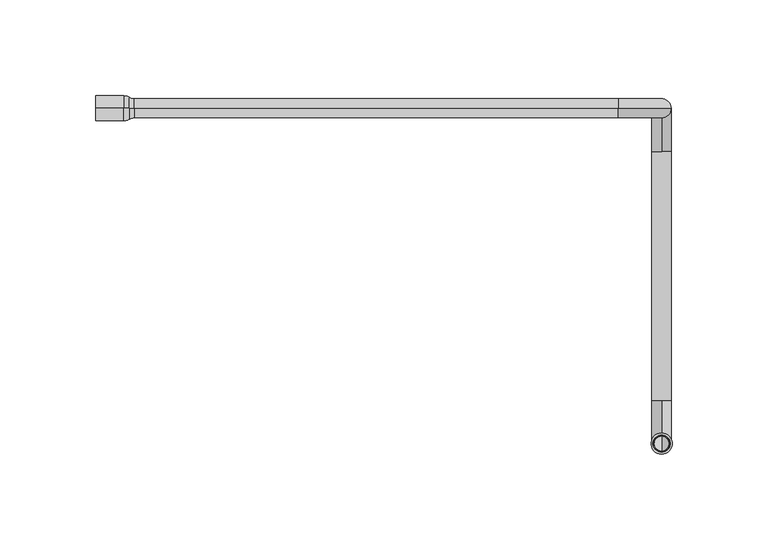
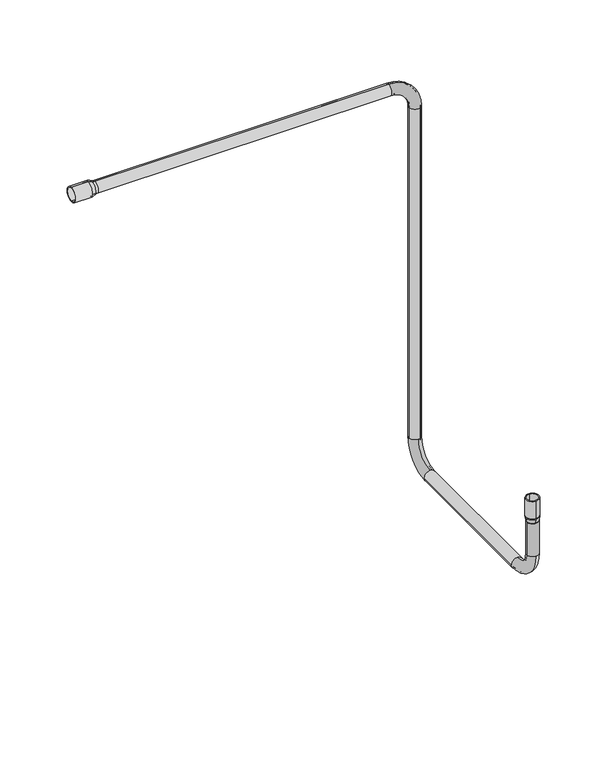
"""IFC4 building model written with IfcOpenShell, lengths in millimetres: proxy geometry."""

from ifc_helpers import new_model, si_unit, point, frame, origin, place, context, project, spatial, polyline, circle_curve, ellipse_curve, trimmed, source, transform, mapped, element, save
from ifc_brep_helpers import plane_surface, cylinder_surface, revolved_surface, advanced_brep


def generic_models_ea1cf998(model_context):
    return source(origin(), model_context, "Body", "AdvancedBrep", [
        advanced_brep(
        [(70.0, 0.0, 29.5), (322.5, 0.0, 29.5), (322.5, 0.0, 19.5), (70.0, 0.0, 19.5), (322.5, 0.0, 28.5), (70.0, 0.0, 28.5), (70.0, 0.0, 20.5), (322.5, 0.0, 20.5), (322.5, 4.0, 24.5), (350.0, 0.0, 2.0), (340.0, 0.0, 2.0), (349.0, 0.0, 2.0), (341.0, 0.0, 2.0), (345.0, 4.0, 2.0), (350.0, 0.0, -298.0), (345.0, 5.0, -298.0), (340.0, 0.0, -298.0), (349.0, 0.0, -298.0), (341.0, 0.0, -298.0), (345.0, 4.0, -298.0), (345.0, -22.5, -325.5), (340.0, -22.5, -320.5), (345.0, -22.5, -315.5), (345.0, -5.0, -298.0), (345.0, -22.5, -324.5), (345.0, -4.0, -298.0), (345.0, -22.5, -316.5), (341.0, -22.5, -320.5), (340.0, -152.5, -320.5), (345.0, -152.5, -315.5), (350.0, -152.5, -320.5), (350.0, -22.5, -320.5), (341.0, -152.5, -320.5), (349.0, -22.5, -320.5), (349.0, -152.5, -320.5), (345.0, -152.5, -316.5), (345.0, -152.5, -325.5), (345.0, -180.0, -298.0), (340.0, -175.0, -298.0), (345.0, -170.0, -298.0), (345.0, -179.0, -298.0), (345.0, -152.5, -324.5), (345.0, -171.0, -298.0), (341.0, -175.0, -298.0), (340.0, -175.0, -268.0), (350.0, -175.0, -268.0), (350.0, -175.0, -298.0), (341.0, -175.0, -268.0), (349.0, -175.0, -298.0), (349.0, -175.0, -268.0), (339.9680105, -175.0, -267.4951309), (345.0, -169.9680105, -267.4951309), (350.0319895, -175.0, -267.4951309), (345.0, -180.4600131, -264.1310864), (345.0, -180.0319895, -267.4951309), (345.0, -169.5399869, -264.1310864), (350.4600131, -175.0, -264.1310864), (339.5, -175.0, -263.5), (339.5399869, -175.0, -264.1310864), (350.5, -175.0, -263.5), (345.0, -180.5, -263.5), (345.0, -180.5, -247.5), (345.0, -169.5, -263.5), (345.0, -169.5, -247.5), (345.0, -179.5, -247.5), (345.0, -179.5, -263.5), (340.5, -175.0, -263.5), (345.0, -170.5, -263.5), (345.0, -170.5, -247.5), (340.5319895, -175.0, -264.0048691), (345.0, -170.5319895, -264.0048691), (349.4680105, -175.0, -264.0048691), (349.5, -175.0, -263.5), (345.0, -179.4680105, -264.0048691), (345.0, -179.0399869, -267.3689136), (340.9600131, -175.0, -267.3689136), (345.0, -170.9600131, -267.3689136), (349.0399869, -175.0, -267.3689136), (67.4794235, 0.0, 18.8181818), (67.4794235, 0.0, 30.1818182), (64.4547317, 0.0, 18.0), (64.4547317, 0.0, 31.0), (50.0, 0.0, 18.0), (50.0, 0.0, 31.0), (50.0, 0.0, 19.0), (64.4547317, 0.0, 19.0), (64.4547317, 0.0, 30.0), (50.0, 0.0, 30.0), (66.9753082, 0.0, 19.6818182), (66.9753082, 0.0, 29.3181818), (345.0, -5.0, 2.0), (322.5, -5.0, 24.5)],
        [
            (0, 1),
            (1, 2, circle_curve(frame((322.5, 0.0, 24.5), z_axis=(-1.0, 0.0, 0.0), x_axis=(0.0, 0.0, 1.0)), 5.0)),
            (2, 3),
            (3, 0, circle_curve(frame((70.0, 0.0, 24.5), z_axis=(1.0, 0.0, 0.0), x_axis=(0.0, 0.0, 1.0)), 5.0)),
            (4, 5),
            (5, 6, circle_curve(frame((70.0, 0.0, 24.5), z_axis=(-1.0, 0.0, 0.0), x_axis=(0.0, 0.0, 1.0)), 4.0)),
            (6, 7),
            (7, 8, circle_curve(frame((322.5, 0.0, 24.5), z_axis=(1.0, 0.0, 0.0), x_axis=(0.0, 0.0, 1.0)), 4.0)),
            (8, 4, circle_curve(frame((322.5, 0.0, 24.5), z_axis=(1.0, 0.0, 0.0), x_axis=(0.0, 0.0, 1.0)), 4.0)),
            (1, 9, circle_curve(frame((322.5, 0.0, 2.0), z_axis=(0.0, 1.0, 0.0), x_axis=(0.0, 0.0, 1.0)), 27.5)),
            (9, 10, circle_curve(frame((345.0, 0.0, 2.0), z_axis=(0.0, 0.0, 1.0), x_axis=(1.0, 0.0, 0.0)), 5.0)),
            (10, 2, circle_curve(frame((322.5, 0.0, 2.0), z_axis=(0.0, -1.0, 0.0), x_axis=(0.0, 0.0, 1.0)), 17.5)),
            (11, 4, circle_curve(frame((322.5, 0.0, 2.0), z_axis=(0.0, -1.0, 0.0), x_axis=(0.0, 0.0, 1.0)), 26.5)),
            (7, 12, circle_curve(frame((322.5, 0.0, 2.0), z_axis=(0.0, 1.0, 0.0), x_axis=(0.0, 0.0, 1.0)), 18.5)),
            (12, 13, circle_curve(frame((345.0, 0.0, 2.0), z_axis=(0.0, 0.0, -1.0), x_axis=(1.0, 0.0, 0.0)), 4.0)),
            (13, 11, circle_curve(frame((345.0, 0.0, 2.0), z_axis=(0.0, 0.0, -1.0), x_axis=(1.0, 0.0, 0.0)), 4.0)),
            (9, 14),
            (14, 15, circle_curve(frame((345.0, 0.0, -298.0), z_axis=(0.0, 0.0, 1.0), x_axis=(1.0, 0.0, 0.0)), 5.0)),
            (15, 16, circle_curve(frame((345.0, 0.0, -298.0), z_axis=(0.0, 0.0, 1.0), x_axis=(1.0, 0.0, 0.0)), 5.0)),
            (16, 10),
            (17, 11),
            (12, 18),
            (18, 19, circle_curve(frame((345.0, 0.0, -298.0), z_axis=(0.0, 0.0, -1.0), x_axis=(1.0, 0.0, 0.0)), 4.0)),
            (19, 17, circle_curve(frame((345.0, 0.0, -298.0), z_axis=(0.0, 0.0, -1.0), x_axis=(1.0, 0.0, 0.0)), 4.0)),
            (15, 20, circle_curve(frame((345.0, -22.5, -298.0), z_axis=(-1.0, 0.0, 0.0), x_axis=(0.0, 1.0, 0.0)), 27.5)),
            (20, 21, circle_curve(frame((345.0, -22.5, -320.5), z_axis=(0.0, 1.0, 0.0), x_axis=(0.0, 0.0, -1.0)), 5.0)),
            (21, 22, circle_curve(frame((345.0, -22.5, -320.5), z_axis=(0.0, 1.0, 0.0), x_axis=(0.0, 0.0, -1.0)), 5.0)),
            (22, 23, circle_curve(frame((345.0, -22.5, -298.0), z_axis=(1.0, 0.0, 0.0), x_axis=(0.0, 1.0, 0.0)), 17.5)),
            (23, 16, circle_curve(frame((345.0, 0.0, -298.0), z_axis=(0.0, 0.0, -1.0), x_axis=(0.0, 1.0, 0.0)), 5.0)),
            (24, 19, circle_curve(frame((345.0, -22.5, -298.0), z_axis=(1.0, 0.0, 0.0), x_axis=(0.0, 1.0, 0.0)), 26.5)),
            (18, 25, circle_curve(frame((345.0, 0.0, -298.0), z_axis=(0.0, 0.0, 1.0), x_axis=(0.0, 1.0, 0.0)), 4.0)),
            (25, 26, circle_curve(frame((345.0, -22.5, -298.0), z_axis=(-1.0, 0.0, 0.0), x_axis=(0.0, 1.0, 0.0)), 18.5)),
            (26, 27, circle_curve(frame((345.0, -22.5, -320.5), z_axis=(0.0, -1.0, 0.0), x_axis=(0.0, 0.0, -1.0)), 4.0)),
            (27, 24, circle_curve(frame((345.0, -22.5, -320.5), z_axis=(0.0, -1.0, 0.0), x_axis=(0.0, 0.0, -1.0)), 4.0)),
            (21, 28),
            (28, 29, circle_curve(frame((345.0, -152.5, -320.5), z_axis=(0.0, 1.0, 0.0), x_axis=(-1.0, 0.0, 0.0)), 5.0)),
            (29, 30, circle_curve(frame((345.0, -152.5, -320.5), z_axis=(0.0, 1.0, 0.0), x_axis=(-1.0, 0.0, 0.0)), 5.0)),
            (30, 31),
            (31, 22, circle_curve(frame((345.0, -22.5, -320.5), z_axis=(0.0, -1.0, 0.0), x_axis=(-1.0, 0.0, 0.0)), 5.0)),
            (32, 27),
            (26, 33, circle_curve(frame((345.0, -22.5, -320.5), z_axis=(0.0, 1.0, 0.0), x_axis=(-1.0, 0.0, 0.0)), 4.0)),
            (33, 34),
            (34, 35, circle_curve(frame((345.0, -152.5, -320.5), z_axis=(0.0, -1.0, 0.0), x_axis=(-1.0, 0.0, 0.0)), 4.0)),
            (35, 32, circle_curve(frame((345.0, -152.5, -320.5), z_axis=(0.0, -1.0, 0.0), x_axis=(-1.0, 0.0, 0.0)), 4.0)),
            (36, 37, circle_curve(frame((345.0, -152.5, -298.0), z_axis=(-1.0, 0.0, 0.0), x_axis=(0.0, 0.0, -1.0)), 27.5)),
            (37, 38, circle_curve(frame((345.0, -175.0, -298.0), z_axis=(0.0, 0.0, -1.0), x_axis=(0.0, -1.0, 0.0)), 5.0)),
            (38, 39, circle_curve(frame((345.0, -175.0, -298.0), z_axis=(0.0, 0.0, -1.0), x_axis=(0.0, -1.0, 0.0)), 5.0)),
            (39, 29, circle_curve(frame((345.0, -152.5, -298.0), z_axis=(1.0, 0.0, 0.0), x_axis=(0.0, 0.0, -1.0)), 17.5)),
            (28, 36, circle_curve(frame((345.0, -152.5, -320.5), z_axis=(0.0, -1.0, 0.0), x_axis=(0.0, 0.0, -1.0)), 5.0)),
            (40, 41, circle_curve(frame((345.0, -152.5, -298.0), z_axis=(1.0, 0.0, 0.0), x_axis=(0.0, 0.0, -1.0)), 26.5)),
            (41, 32, circle_curve(frame((345.0, -152.5, -320.5), z_axis=(0.0, 1.0, 0.0), x_axis=(0.0, 0.0, -1.0)), 4.0)),
            (35, 42, circle_curve(frame((345.0, -152.5, -298.0), z_axis=(-1.0, 0.0, 0.0), x_axis=(0.0, 0.0, -1.0)), 18.5)),
            (42, 43, circle_curve(frame((345.0, -175.0, -298.0), z_axis=(0.0, 0.0, 1.0), x_axis=(0.0, -1.0, 0.0)), 4.0)),
            (43, 40, circle_curve(frame((345.0, -175.0, -298.0), z_axis=(0.0, 0.0, 1.0), x_axis=(0.0, -1.0, 0.0)), 4.0)),
            (38, 44),
            (44, 45, circle_curve(frame((345.0, -175.0, -268.0), z_axis=(0.0, 0.0, -1.0), x_axis=(-1.0, 0.0, 0.0)), 5.0)),
            (45, 46),
            (46, 39, circle_curve(frame((345.0, -175.0, -298.0), z_axis=(0.0, 0.0, 1.0), x_axis=(-1.0, 0.0, 0.0)), 5.0)),
            (47, 43),
            (42, 48, circle_curve(frame((345.0, -175.0, -298.0), z_axis=(0.0, 0.0, -1.0), x_axis=(-1.0, 0.0, 0.0)), 4.0)),
            (48, 49),
            (49, 47, circle_curve(frame((345.0, -175.0, -268.0), z_axis=(0.0, 0.0, 1.0), x_axis=(-1.0, 0.0, 0.0)), 4.0)),
            (44, 50, circle_curve(frame((336.0, -175.0, -268.0), z_axis=(0.0, -1.0, 0.0), x_axis=(-1.0, 0.0, 0.0)), 4.0)),
            (50, 51, circle_curve(frame((345.0, -175.0, -267.4951309), z_axis=(0.0, 0.0, -1.0), x_axis=(-1.0, 0.0, 0.0)), 5.0319895)),
            (51, 52, circle_curve(frame((345.0, -175.0, -267.4951309), z_axis=(0.0, 0.0, -1.0), x_axis=(-1.0, 0.0, 0.0)), 5.0319895)),
            (52, 45, circle_curve(frame((354.0, -175.0, -268.0), z_axis=(0.0, -1.0, 0.0), x_axis=(1.0, 0.0, 0.0)), 4.0)),
            (53, 54),
            (54, 52, circle_curve(frame((345.0, -175.0, -267.4951309), z_axis=(0.0, 0.0, 1.0), x_axis=(0.0, 1.0, 0.0)), 5.0319895)),
            (51, 55),
            (55, 56, circle_curve(frame((345.0, -175.0, -264.1310864), z_axis=(0.0, 0.0, -1.0), x_axis=(0.0, 1.0, 0.0)), 5.4600131)),
            (56, 53, circle_curve(frame((345.0, -175.0, -264.1310864), z_axis=(0.0, 0.0, -1.0), x_axis=(0.0, 1.0, 0.0)), 5.4600131)),
            (57, 58, circle_curve(frame((344.5, -175.0, -263.5), z_axis=(0.0, -1.0, 0.0), x_axis=(-1.0, 0.0, 0.0)), 5.0)),
            (58, 53, circle_curve(frame((345.0, -175.0, -264.1310864), z_axis=(0.0, 0.0, 1.0), x_axis=(1.0, 0.0, 0.0)), 5.4600131)),
            (56, 59, circle_curve(frame((345.5, -175.0, -263.5), z_axis=(0.0, -1.0, 0.0), x_axis=(1.0, 0.0, 0.0)), 5.0)),
            (59, 60, circle_curve(frame((345.0, -175.0, -263.5), z_axis=(0.0, 0.0, -1.0), x_axis=(1.0, 0.0, 0.0)), 5.5)),
            (60, 57, circle_curve(frame((345.0, -175.0, -263.5), z_axis=(0.0, 0.0, -1.0), x_axis=(1.0, 0.0, 0.0)), 5.5)),
            (61, 60),
            (59, 62, circle_curve(frame((345.0, -175.0, -263.5), z_axis=(0.0, 0.0, 1.0), x_axis=(0.0, -1.0, 0.0)), 5.5)),
            (62, 63),
            (63, 61, circle_curve(frame((345.0, -175.0, -247.5), z_axis=(0.0, 0.0, -1.0), x_axis=(0.0, -1.0, 0.0)), 5.5)),
            (64, 65),
            (65, 66, circle_curve(frame((345.0, -175.0, -263.5), z_axis=(0.0, 0.0, -1.0), x_axis=(0.0, -1.0, 0.0)), 4.5)),
            (66, 67, circle_curve(frame((345.0, -175.0, -263.5), z_axis=(0.0, 0.0, -1.0), x_axis=(0.0, -1.0, 0.0)), 4.5)),
            (67, 68),
            (68, 64, circle_curve(frame((345.0, -175.0, -247.5), z_axis=(0.0, 0.0, 1.0), x_axis=(0.0, -1.0, 0.0)), 4.5)),
            (66, 69, circle_curve(frame((344.5, -175.0, -263.5), z_axis=(0.0, -1.0, 0.0), x_axis=(-1.0, 0.0, 0.0)), 4.0)),
            (69, 70, circle_curve(frame((345.0, -175.0, -264.0048691), z_axis=(0.0, 0.0, -1.0), x_axis=(-1.0, 0.0, 0.0)), 4.4680105)),
            (70, 71, circle_curve(frame((345.0, -175.0, -264.0048691), z_axis=(0.0, 0.0, -1.0), x_axis=(-1.0, 0.0, 0.0)), 4.4680105)),
            (71, 72, circle_curve(frame((345.5, -175.0, -263.5), z_axis=(0.0, -1.0, 0.0), x_axis=(1.0, 0.0, 0.0)), 4.0)),
            (72, 67, circle_curve(frame((345.0, -175.0, -263.5), z_axis=(0.0, 0.0, 1.0), x_axis=(-1.0, 0.0, 0.0)), 4.5)),
            (73, 74),
            (74, 75, circle_curve(frame((345.0, -175.0, -267.3689136), z_axis=(0.0, 0.0, -1.0), x_axis=(0.0, -1.0, 0.0)), 4.0399869)),
            (75, 76, circle_curve(frame((345.0, -175.0, -267.3689136), z_axis=(0.0, 0.0, -1.0), x_axis=(0.0, -1.0, 0.0)), 4.0399869)),
            (76, 70),
            (69, 73, circle_curve(frame((345.0, -175.0, -264.0048691), z_axis=(0.0, 0.0, 1.0), x_axis=(0.0, -1.0, 0.0)), 4.4680105)),
            (47, 75, circle_curve(frame((336.0, -175.0, -268.0), z_axis=(0.0, -1.0, 0.0), x_axis=(-1.0, 0.0, 0.0)), 5.0)),
            (74, 77, circle_curve(frame((345.0, -175.0, -267.3689136), z_axis=(0.0, 0.0, 1.0), x_axis=(1.0, 0.0, 0.0)), 4.0399869)),
            (77, 49, circle_curve(frame((354.0, -175.0, -268.0), z_axis=(0.0, -1.0, 0.0), x_axis=(1.0, 0.0, 0.0)), 5.0)),
            (49, 47, circle_curve(frame((345.0, -175.0, -268.0), z_axis=(0.0, 0.0, -1.0), x_axis=(1.0, 0.0, 0.0)), 4.0)),
            (3, 78, circle_curve(frame((70.0, 0.0, 14.5), z_axis=(0.0, -1.0, 0.0), x_axis=(0.0, 0.0, -1.0)), 5.0)),
            (78, 79, circle_curve(frame((67.4794235, 0.0, 24.5), z_axis=(1.0, 0.0, 0.0), x_axis=(0.0, 0.0, -1.0)), 5.6818182)),
            (79, 0, circle_curve(frame((70.0, 0.0, 34.5), z_axis=(0.0, -1.0, 0.0), x_axis=(0.0, 0.0, 1.0)), 5.0)),
            (80, 78, circle_curve(frame((64.4547317, 0.0, 24.0), z_axis=(0.0, -1.0, 0.0), x_axis=(0.0, 0.0, -1.0)), 6.0)),
            (78, 79, circle_curve(frame((67.4794235, 0.0, 24.5), z_axis=(-1.0, 0.0, 0.0), x_axis=(0.0, 0.0, 1.0)), 5.6818182)),
            (79, 81, circle_curve(frame((64.4547317, 0.0, 25.0), z_axis=(0.0, -1.0, 0.0), x_axis=(0.0, 0.0, 1.0)), 6.0)),
            (81, 80, circle_curve(frame((64.4547317, 0.0, 24.5), z_axis=(1.0, 0.0, 0.0), x_axis=(0.0, 0.0, 1.0)), 6.5)),
            (82, 80),
            (81, 83),
            (83, 82, circle_curve(frame((50.0, 0.0, 24.5), z_axis=(1.0, 0.0, 0.0), x_axis=(0.0, 0.0, -1.0)), 6.5)),
            (84, 85),
            (85, 86, circle_curve(frame((64.4547317, 0.0, 24.5), z_axis=(1.0, 0.0, 0.0), x_axis=(0.0, 0.0, -1.0)), 5.5)),
            (86, 87),
            (87, 84, circle_curve(frame((50.0, 0.0, 24.5), z_axis=(-1.0, 0.0, 0.0), x_axis=(0.0, 0.0, -1.0)), 5.5)),
            (85, 88, circle_curve(frame((64.4547317, 0.0, 24.0), z_axis=(0.0, -1.0, 0.0), x_axis=(0.0, 0.0, -1.0)), 5.0)),
            (88, 89, circle_curve(frame((66.9753082, 0.0, 24.5), z_axis=(1.0, 0.0, 0.0), x_axis=(0.0, 0.0, -1.0)), 4.8181818)),
            (89, 86, circle_curve(frame((64.4547317, 0.0, 25.0), z_axis=(0.0, -1.0, 0.0), x_axis=(0.0, 0.0, 1.0)), 5.0)),
            (6, 88, circle_curve(frame((70.0, 0.0, 14.5), z_axis=(0.0, -1.0, 0.0), x_axis=(0.0, 0.0, -1.0)), 6.0)),
            (88, 89, circle_curve(frame((66.9753082, 0.0, 24.5), z_axis=(-1.0, 0.0, 0.0), x_axis=(0.0, 0.0, 1.0)), 4.8181818)),
            (89, 5, circle_curve(frame((70.0, 0.0, 34.5), z_axis=(0.0, -1.0, 0.0), x_axis=(0.0, 0.0, 1.0)), 6.0)),
            (5, 6, circle_curve(frame((70.0, 0.0, 24.5), z_axis=(1.0, 0.0, 0.0), x_axis=(0.0, 0.0, 1.0)), 4.0)),
            (85, 86, circle_curve(frame((64.4547317, 0.0, 24.5), z_axis=(-1.0, 0.0, 0.0), x_axis=(0.0, 0.0, 1.0)), 5.5)),
            (84, 87, circle_curve(frame((50.0, 0.0, 24.5), z_axis=(-1.0, 0.0, 0.0), x_axis=(0.0, 0.0, -1.0)), 5.5)),
            (83, 82, circle_curve(frame((50.0, 0.0, 24.5), z_axis=(-1.0, 0.0, 0.0), x_axis=(0.0, 0.0, -1.0)), 6.5)),
            (81, 80, circle_curve(frame((64.4547317, 0.0, 24.5), z_axis=(-1.0, 0.0, 0.0), x_axis=(0.0, 0.0, -1.0)), 6.5)),
            (3, 0, circle_curve(frame((70.0, 0.0, 24.5), z_axis=(-1.0, 0.0, 0.0), x_axis=(0.0, 0.0, 1.0)), 5.0)),
            (77, 76, circle_curve(frame((345.0, -175.0, -267.3689136), z_axis=(0.0, 0.0, 1.0), x_axis=(-1.0, 0.0, 0.0)), 4.0399869)),
            (73, 71, circle_curve(frame((345.0, -175.0, -264.0048691), z_axis=(0.0, 0.0, 1.0), x_axis=(0.0, 1.0, 0.0)), 4.4680105)),
            (65, 72, circle_curve(frame((345.0, -175.0, -263.5), z_axis=(0.0, 0.0, 1.0), x_axis=(1.0, 0.0, 0.0)), 4.5)),
            (64, 68, circle_curve(frame((345.0, -175.0, -247.5), z_axis=(0.0, 0.0, 1.0), x_axis=(0.0, -1.0, 0.0)), 4.5)),
            (63, 61, circle_curve(frame((345.0, -175.0, -247.5), z_axis=(0.0, 0.0, 1.0), x_axis=(0.0, -1.0, 0.0)), 5.5)),
            (62, 57, circle_curve(frame((345.0, -175.0, -263.5), z_axis=(0.0, 0.0, 1.0), x_axis=(0.0, -1.0, 0.0)), 5.5)),
            (55, 58, circle_curve(frame((345.0, -175.0, -264.1310864), z_axis=(0.0, 0.0, 1.0), x_axis=(-1.0, 0.0, 0.0)), 5.4600131)),
            (50, 54, circle_curve(frame((345.0, -175.0, -267.4951309), z_axis=(0.0, 0.0, 1.0), x_axis=(0.0, -1.0, 0.0)), 5.0319895)),
            (44, 45, circle_curve(frame((345.0, -175.0, -268.0), z_axis=(0.0, 0.0, 1.0), x_axis=(1.0, 0.0, 0.0)), 5.0)),
            (48, 40, circle_curve(frame((345.0, -175.0, -298.0), z_axis=(0.0, 0.0, -1.0), x_axis=(-1.0, 0.0, 0.0)), 4.0)),
            (37, 46, circle_curve(frame((345.0, -175.0, -298.0), z_axis=(0.0, 0.0, 1.0), x_axis=(-1.0, 0.0, 0.0)), 5.0)),
            (34, 41, circle_curve(frame((345.0, -152.5, -320.5), z_axis=(0.0, 1.0, 0.0), x_axis=(0.0, 0.0, -1.0)), 4.0)),
            (36, 30, circle_curve(frame((345.0, -152.5, -320.5), z_axis=(0.0, -1.0, 0.0), x_axis=(0.0, 0.0, -1.0)), 5.0)),
            (33, 24, circle_curve(frame((345.0, -22.5, -320.5), z_axis=(0.0, 1.0, 0.0), x_axis=(-1.0, 0.0, 0.0)), 4.0)),
            (20, 31, circle_curve(frame((345.0, -22.5, -320.5), z_axis=(0.0, -1.0, 0.0), x_axis=(-1.0, 0.0, 0.0)), 5.0)),
            (25, 17, circle_curve(frame((345.0, 0.0, -298.0), z_axis=(0.0, 0.0, 1.0), x_axis=(0.0, 1.0, 0.0)), 4.0)),
            (14, 23, circle_curve(frame((345.0, 0.0, -298.0), z_axis=(0.0, 0.0, -1.0), x_axis=(0.0, 1.0, 0.0)), 5.0)),
            (12, 11, circle_curve(frame((345.0, 0.0, 2.0), z_axis=(0.0, 0.0, 1.0), x_axis=(1.0, 0.0, 0.0)), 4.0)),
            (9, 90, circle_curve(frame((345.0, 0.0, 2.0), z_axis=(0.0, 0.0, -1.0), x_axis=(1.0, 0.0, 0.0)), 5.0)),
            (90, 10, circle_curve(frame((345.0, 0.0, 2.0), z_axis=(0.0, 0.0, -1.0), x_axis=(1.0, 0.0, 0.0)), 5.0)),
            (7, 4, circle_curve(frame((322.5, 0.0, 24.5), z_axis=(-1.0, 0.0, 0.0), x_axis=(0.0, 0.0, 1.0)), 4.0)),
            (1, 91, circle_curve(frame((322.5, 0.0, 24.5), z_axis=(1.0, 0.0, 0.0), x_axis=(0.0, 0.0, 1.0)), 5.0)),
            (91, 2, circle_curve(frame((322.5, 0.0, 24.5), z_axis=(1.0, 0.0, 0.0), x_axis=(0.0, 0.0, 1.0)), 5.0)),
        ],
        [
            cylinder_surface(frame((22.5, 0.0, 24.5), z_axis=(1.0, 0.0, 0.0), x_axis=(0.0, 0.0, 1.0)), 5.0),
            revolved_surface(polyline([(322.5, 0.0, 28.5), (70.0, 0.0, 28.5)]), (22.5, 0.0, 24.5), (1.0, 0.0, 0.0)),
            revolved_surface(trimmed(ellipse_curve(frame((322.5, 0.0, 24.5), z_axis=(-1.0, 0.0, 0.0), x_axis=(0.0, 0.0, 1.0)), 5.0, 5.0), [point((322.5, 0.0, 29.5))], [point((322.5, 0.0, 19.5))], True, "CARTESIAN"), (322.5, 0.0, 2.0), (0.0, 1.0, 0.0)),
            revolved_surface(trimmed(ellipse_curve(frame((322.5, 0.0, 24.5), z_axis=(1.0, 0.0, 0.0), x_axis=(0.0, 0.0, 1.0)), 4.0, 4.0), [point((322.5, 0.0, 20.5))], [point((322.5, 0.0, 28.5))], True, "CARTESIAN"), (322.5, 0.0, 2.0), (0.0, 1.0, 0.0)),
            cylinder_surface(frame((345.0, 0.0, 2.0), z_axis=(0.0, 0.0, -1.0), x_axis=(1.0, 0.0, 0.0)), 5.0),
            revolved_surface(polyline([(349.0, 0.0, -298.0), (349.0, 0.0, 2.0)]), (345.0, 0.0, 2.0), (0.0, 0.0, -1.0)),
            revolved_surface(trimmed(ellipse_curve(frame((345.0, 0.0, -298.0), z_axis=(0.0, 0.0, 1.0), x_axis=(0.0, 1.0, 0.0)), 5.0, 5.0), [point((345.0, 5.0, -298.0))], [point((345.0, -5.0, -298.0))], True, "CARTESIAN"), (345.0, -22.5, -298.0), (-1.0, 0.0, 0.0)),
            revolved_surface(trimmed(ellipse_curve(frame((345.0, 0.0, -298.0), z_axis=(0.0, 0.0, -1.0), x_axis=(0.0, 1.0, 0.0)), 4.0, 4.0), [point((345.0, -4.0, -298.0))], [point((345.0, 4.0, -298.0))], True, "CARTESIAN"), (345.0, -22.5, -298.0), (-1.0, 0.0, 0.0)),
            cylinder_surface(frame((345.0, -22.5, -320.5), z_axis=(0.0, -1.0, 0.0), x_axis=(-1.0, 0.0, 0.0)), 5.0),
            revolved_surface(polyline([(341.0, -152.5, -320.5), (341.0, -22.5, -320.5)]), (345.0, -22.5, -320.5), (0.0, -1.0, 0.0)),
            revolved_surface(trimmed(ellipse_curve(frame((345.0, -152.5, -320.5), z_axis=(0.0, 1.0, 0.0), x_axis=(0.0, 0.0, -1.0)), 5.0, 5.0), [point((345.0, -152.5, -325.5))], [point((345.0, -152.5, -315.5))], True, "CARTESIAN"), (345.0, -152.5, -298.0), (-1.0, 0.0, 0.0)),
            revolved_surface(trimmed(ellipse_curve(frame((345.0, -152.5, -320.5), z_axis=(0.0, -1.0, 0.0), x_axis=(0.0, 0.0, -1.0)), 4.0, 4.0), [point((345.0, -152.5, -316.5))], [point((345.0, -152.5, -324.5))], True, "CARTESIAN"), (345.0, -152.5, -298.0), (-1.0, 0.0, 0.0)),
            cylinder_surface(frame((345.0, -175.0, -298.0), z_axis=(0.0, 0.0, 1.0), x_axis=(-1.0, 0.0, 0.0)), 5.0),
            revolved_surface(polyline([(341.0, -175.0, -268.0), (341.0, -175.0, -298.0)]), (345.0, -175.0, -298.0), (0.0, 0.0, 1.0)),
            revolved_surface(trimmed(ellipse_curve(frame((336.0, -175.0, -268.0), z_axis=(0.0, 1.0, 0.0), x_axis=(-1.0, 0.0, 0.0)), 4.0, 4.0), [point((339.9680105, -175.0, -267.4951309))], [point((340.0, -175.0, -268.0))], True, "CARTESIAN"), (345.0, -175.0, -268.0), (0.0, 0.0, -1.0)),
            revolved_surface(polyline([(345.0, -180.0319895172889, -267.4951309), (345.0, -180.4600131, -264.1310864)]), (345.0, -175.0, -307.043972), (0.0, 0.0, 1.0)),
            revolved_surface(trimmed(ellipse_curve(frame((345.5, -175.0, -263.5), z_axis=(0.0, 1.0, 0.0), x_axis=(1.0, 0.0, 0.0)), 5.0, 5.0), [point((350.5, -175.0, -263.5))], [point((350.4600131, -175.0, -264.1310864))], True, "CARTESIAN"), (345.0, -175.0, -263.5), (0.0, 0.0, -1.0)),
            cylinder_surface(frame((345.0, -175.0, -255.5), z_axis=(0.0, 0.0, -1.0), x_axis=(0.0, -1.0, 0.0)), 5.5),
            revolved_surface(polyline([(345.0, -179.5, -263.5), (345.0, -179.5, -247.5)]), (345.0, -175.0, -255.5), (0.0, 0.0, -1.0)),
            revolved_surface(trimmed(ellipse_curve(frame((344.5, -175.0, -263.5), z_axis=(0.0, 1.0, 0.0), x_axis=(-1.0, 0.0, 0.0)), 4.0, 4.0), [point((340.5319895, -175.0, -264.0048691))], [point((340.5, -175.0, -263.5))], True, "CARTESIAN"), (345.0, -175.0, -263.5), (0.0, 0.0, -1.0)),
            revolved_surface(polyline([(345.0, -179.4680105, -264.0048691), (345.0, -179.03998691561657, -267.3689136)]), (345.0, -175.0, -299.121126), (0.0, 0.0, 1.0)),
            revolved_surface(trimmed(ellipse_curve(frame((354.0, -175.0, -268.0), z_axis=(0.0, 1.0, 0.0), x_axis=(1.0, 0.0, 0.0)), 5.0, 5.0), [point((349.0, -175.0, -268.0))], [point((349.0399869, -175.0, -267.3689136))], True, "CARTESIAN"), (345.0, -175.0, -268.0), (0.0, 0.0, -1.0)),
            revolved_surface(trimmed(ellipse_curve(frame((70.0, 0.0, 14.5), z_axis=(0.0, 1.0, 0.0), x_axis=(0.0, 0.0, -1.0)), 5.0, 5.0), [point((67.4794235, 0.0, 18.8181818))], [point((70.0, 0.0, 19.5))], True, "CARTESIAN"), (70.0, 0.0, 24.5), (1.0, 0.0, 0.0)),
            revolved_surface(trimmed(ellipse_curve(frame((64.4547317, 0.0, 25.0), z_axis=(0.0, 1.0, 0.0), x_axis=(0.0, 0.0, 1.0)), 6.0, 6.0), [point((64.4547317, 0.0, 31.0))], [point((67.4794235, 0.0, 30.1818182))], True, "CARTESIAN"), (64.4547317, 0.0, 24.5), (1.0, 0.0, 0.0)),
            cylinder_surface(frame((57.2273659, 0.0, 24.5), z_axis=(1.0, 0.0, 0.0), x_axis=(0.0, 0.0, -1.0)), 6.5),
            revolved_surface(polyline([(64.4547317, 0.0, 19.0), (50.0, 0.0, 19.0)]), (57.2273659, 0.0, 24.5), (1.0, 0.0, 0.0)),
            revolved_surface(trimmed(ellipse_curve(frame((64.4547317, 0.0, 24.0), z_axis=(0.0, 1.0, 0.0), x_axis=(0.0, 0.0, -1.0)), 5.0, 5.0), [point((66.9753082, 0.0, 19.6818182))], [point((64.4547317, 0.0, 19.0))], True, "CARTESIAN"), (64.4547317, 0.0, 24.5), (1.0, 0.0, 0.0)),
            revolved_surface(trimmed(ellipse_curve(frame((70.0, 0.0, 34.5), z_axis=(0.0, 1.0, 0.0), x_axis=(0.0, 0.0, 1.0)), 6.0, 6.0), [point((70.0, 0.0, 28.5))], [point((66.9753082, 0.0, 29.3181818))], True, "CARTESIAN"), (70.0, 0.0, 24.5), (1.0, 0.0, 0.0)),
            revolved_surface(trimmed(ellipse_curve(frame((70.0, 0.0, 14.5), z_axis=(0.0, -1.0, 0.0), x_axis=(0.0, 0.0, -1.0)), 6.0, 6.0), [point((70.0, 0.0, 20.5))], [point((66.9753082, 0.0, 19.6818182))], True, "CARTESIAN"), (70.0, 0.0, 24.5), (1.0, 0.0, 0.0)),
            revolved_surface(trimmed(ellipse_curve(frame((64.4547317, 0.0, 25.0), z_axis=(0.0, -1.0, 0.0), x_axis=(0.0, 0.0, 1.0)), 5.0, 5.0), [point((66.9753082, 0.0, 29.3181818))], [point((64.4547317, 0.0, 30.0))], True, "CARTESIAN"), (64.4547317, 0.0, 24.5), (1.0, 0.0, 0.0)),
            plane_surface(frame((50.0, 0.0, 18.0), z_axis=(-1.0, 0.0, 0.0), x_axis=(0.0, 0.0, 1.0))),
            revolved_surface(trimmed(ellipse_curve(frame((64.4547317, 0.0, 24.0), z_axis=(0.0, -1.0, 0.0), x_axis=(0.0, 0.0, -1.0)), 6.0, 6.0), [point((64.4547317, 0.0, 18.0))], [point((67.4794235, 0.0, 18.8181818))], True, "CARTESIAN"), (64.4547317, 0.0, 24.5), (1.0, 0.0, 0.0)),
            revolved_surface(trimmed(ellipse_curve(frame((70.0, 0.0, 34.5), z_axis=(0.0, -1.0, 0.0), x_axis=(0.0, 0.0, 1.0)), 5.0, 5.0), [point((67.4794235, 0.0, 30.1818182))], [point((70.0, 0.0, 29.5))], True, "CARTESIAN"), (70.0, 0.0, 24.5), (1.0, 0.0, 0.0)),
            revolved_surface(trimmed(ellipse_curve(frame((336.0, -175.0, -268.0), z_axis=(0.0, -1.0, 0.0), x_axis=(-1.0, 0.0, 0.0)), 5.0, 5.0), [point((341.0, -175.0, -268.0))], [point((340.9600131, -175.0, -267.3689136))], True, "CARTESIAN"), (345.0, -175.0, -268.0), (0.0, 0.0, -1.0)),
            revolved_surface(trimmed(ellipse_curve(frame((345.5, -175.0, -263.5), z_axis=(0.0, -1.0, 0.0), x_axis=(1.0, 0.0, 0.0)), 4.0, 4.0), [point((349.4680105, -175.0, -264.0048691))], [point((349.5, -175.0, -263.5))], True, "CARTESIAN"), (345.0, -175.0, -263.5), (0.0, 0.0, -1.0)),
            plane_surface(frame((345.0, -180.0, -247.5), z_axis=(0.0, 0.0, 1.0), x_axis=(1.0, 0.0, 0.0))),
            revolved_surface(trimmed(ellipse_curve(frame((344.5, -175.0, -263.5), z_axis=(0.0, -1.0, 0.0), x_axis=(-1.0, 0.0, 0.0)), 5.0, 5.0), [point((339.5, -175.0, -263.5))], [point((339.5399869, -175.0, -264.1310864))], True, "CARTESIAN"), (345.0, -175.0, -263.5), (0.0, 0.0, -1.0)),
            revolved_surface(trimmed(ellipse_curve(frame((354.0, -175.0, -268.0), z_axis=(0.0, -1.0, 0.0), x_axis=(1.0, 0.0, 0.0)), 4.0, 4.0), [point((350.0319895, -175.0, -267.4951309))], [point((350.0, -175.0, -268.0))], True, "CARTESIAN"), (345.0, -175.0, -268.0), (0.0, 0.0, -1.0)),
            revolved_surface(trimmed(ellipse_curve(frame((345.0, -152.5, -320.5), z_axis=(0.0, -1.0, 0.0), x_axis=(0.0, 0.0, -1.0)), 4.0, 4.0), [point((345.0, -152.5, -324.5))], [point((345.0, -152.5, -316.5))], True, "CARTESIAN"), (345.0, -152.5, -298.0), (-1.0, 0.0, 0.0)),
            revolved_surface(trimmed(ellipse_curve(frame((345.0, -152.5, -320.5), z_axis=(0.0, 1.0, 0.0), x_axis=(0.0, 0.0, -1.0)), 5.0, 5.0), [point((345.0, -152.5, -315.5))], [point((345.0, -152.5, -325.5))], True, "CARTESIAN"), (345.0, -152.5, -298.0), (-1.0, 0.0, 0.0)),
            revolved_surface(trimmed(ellipse_curve(frame((345.0, 0.0, -298.0), z_axis=(0.0, 0.0, -1.0), x_axis=(0.0, 1.0, 0.0)), 4.0, 4.0), [point((345.0, 4.0, -298.0))], [point((345.0, -4.0, -298.0))], True, "CARTESIAN"), (345.0, -22.5, -298.0), (-1.0, 0.0, 0.0)),
            revolved_surface(trimmed(ellipse_curve(frame((345.0, 0.0, -298.0), z_axis=(0.0, 0.0, 1.0), x_axis=(0.0, 1.0, 0.0)), 5.0, 5.0), [point((345.0, -5.0, -298.0))], [point((345.0, 5.0, -298.0))], True, "CARTESIAN"), (345.0, -22.5, -298.0), (-1.0, 0.0, 0.0)),
            revolved_surface(trimmed(ellipse_curve(frame((322.5, 0.0, 24.5), z_axis=(1.0, 0.0, 0.0), x_axis=(0.0, 0.0, 1.0)), 4.0, 4.0), [point((322.5, 0.0, 28.5))], [point((322.5, 0.0, 20.5))], True, "CARTESIAN"), (322.5, 0.0, 2.0), (0.0, 1.0, 0.0)),
            revolved_surface(trimmed(ellipse_curve(frame((322.5, 0.0, 24.5), z_axis=(-1.0, 0.0, 0.0), x_axis=(0.0, 0.0, 1.0)), 5.0, 5.0), [point((322.5, 0.0, 19.5))], [point((322.5, 0.0, 29.5))], True, "CARTESIAN"), (322.5, 0.0, 2.0), (0.0, 1.0, 0.0)),
        ],
        [
            (0, [[1, 2, 3, 4]]),
            (1, [[5, 6, 7, 8, 9]]),
            (2, [[10, 11, 12, -2]]),
            (3, [[13, -9, -8, 14, 15, 16]]),
            (4, [[17, 18, 19, 20, -11]]),
            (5, [[21, -16, -15, 22, 23, 24]]),
            (6, [[25, 26, 27, 28, 29, -19]]),
            (7, [[30, -23, 31, 32, 33, 34]]),
            (8, [[35, 36, 37, 38, 39, -27]]),
            (9, [[40, -33, 41, 42, 43, 44]]),
            (10, [[45, 46, 47, 48, -36, 49]]),
            (11, [[50, 51, -44, 52, 53, 54]]),
            (12, [[55, 56, 57, 58, -47]]),
            (13, [[59, -53, 60, 61, 62]]),
            (14, [[63, 64, 65, 66, -56]]),
            (15, [[67, 68, -65, 69, 70, 71]]),
            (16, [[72, 73, -71, 74, 75, 76]]),
            (17, [[77, -75, 78, 79, 80]]),
            (18, [[81, 82, 83, 84, 85]]),
            (19, [[86, 87, 88, 89, 90, -83]]),
            (20, [[91, 92, 93, 94, -87, 95]]),
            (21, [[96, -92, 97, 98, 99]]),
            (22, [[100, 101, 102, -4]]),
            (23, [[103, 104, 105, 106]]),
            (24, [[107, -106, 108, 109]]),
            (25, [[110, 111, 112, 113]]),
            (26, [[114, 115, 116, -111]]),
            (27, [[117, 118, 119, 120]]),
            (28, [[-117, -6, -119, -115]]),
            (29, [[-114, 121, -116, -118]]),
            (25, [[-110, 122, -112, -121]]),
            (30, [[123, -109], [-113, -122]]),
            (24, [[-107, -123, -108, 124]]),
            (31, [[-103, -124, -105, -101]]),
            (32, [[-100, 125, -102, -104]]),
            (33, [[-96, -62, -98, 126, -93]]),
            (20, [[-91, 127, -88, -94, -126, -97]]),
            (34, [[-86, -82, 128, -89, -127, -95]]),
            (18, [[-81, 129, -84, -90, -128]]),
            (35, [[130, -80], [-85, -129]]),
            (17, [[-77, -130, -79, 131, -76]]),
            (36, [[-72, -131, -78, -74, -70, 132]]),
            (15, [[-67, -73, -132, -69, -64, 133]]),
            (37, [[-63, 134, -66, -68, -133]]),
            (13, [[-59, -99, -61, 135, -54]]),
            (12, [[-55, -46, 136, -57, -134]]),
            (38, [[-50, -135, -60, -52, -43, 137]]),
            (39, [[-45, 138, -37, -48, -58, -136]]),
            (9, [[-40, -51, -137, -42, 139, -34]]),
            (8, [[-35, -26, 140, -38, -138, -49]]),
            (40, [[-30, -139, -41, -32, 141, -24]]),
            (41, [[-25, -18, 142, -28, -39, -140]]),
            (5, [[-21, -141, -31, -22, 143]]),
            (4, [[-17, 144, 145, -20, -29, -142]]),
            (42, [[-13, -143, -14, 146]]),
            (43, [[-10, 147, 148, -12, -145, -144]]),
            (1, [[-5, -146, -7, -120]]),
            (0, [[-1, -125, -3, -148, -147]]),
        ],
    ),
    ])


if __name__ == "__main__":
    model = new_model("IFC4")
    model_context = context("Model", 3, world=origin())
    ifc_project = project(units=[si_unit("LENGTHUNIT", "METRE", prefix="MILLI")], contexts=[model_context])
    site = spatial("IfcSite", under=ifc_project)
    building = spatial("IfcBuilding", under=site)
    placement = place(None, origin())
    generic_models_shape = generic_models_ea1cf998(model_context)
    element("IfcBuildingElementProxy", 1, Name="Generic Models", at=placement, inside=building, context=model_context, shape_type="MappedRepresentation", body=[
        mapped(generic_models_shape, transform((0.0, 0.0, 0.0), x_axis=(1.0, 0.0, 0.0), y_axis=(0.0, 1.0, 0.0), z_axis=(0.0, 0.0, 1.0))),
    ])
    save(model, "model.ifc")
